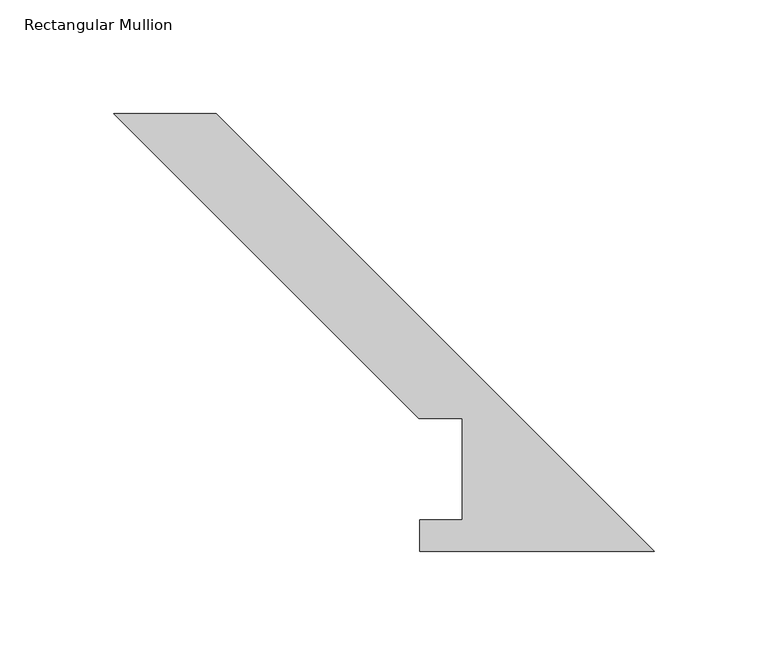
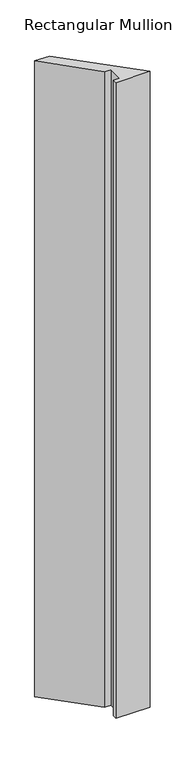
"""IFC4 building model written with IfcOpenShell, lengths in millimetres: member geometry, Rectangular Mullion."""

from ifc_helpers import new_model, si_unit, frame, origin, place, context, project, spatial, polyline, outline, extrude, source, transform, mapped, element, save


def rectangular_mullion_eb257d0a(model_context):
    return source(origin(), model_context, "Body", "SweptSolid", [
        extrude(outline(polyline([(-236.9958475, 192.0807432), (-192.0945669, 192.0807432), (0.0, -0.0138237), (-102.8720048, -0.0138237), (-102.8720048, 13.890625), (-84.2057293, 13.890625), (-84.2057293, 58.340625), (-103.2557293, 58.340625), (-236.9958475, 192.0807432)])), frame((0.0, 0.0, -2025.65), z_axis=(0.0, 0.0, 1.0), x_axis=(1.0, 0.0, 0.0)), (0.0, 0.0, 1.0), 2025.65),
    ])


if __name__ == "__main__":
    model = new_model("IFC4")
    model_context = context("Model", 3, world=origin())
    ifc_project = project(units=[si_unit("LENGTHUNIT", "METRE", prefix="MILLI")], contexts=[model_context])
    site = spatial("IfcSite", under=ifc_project)
    building = spatial("IfcBuilding", under=site)
    placement = place(None, origin())
    rectangular_mullion_shape = rectangular_mullion_eb257d0a(model_context)
    element("IfcMember", 1, ObjectType="Rectangular Mullion", at=placement, inside=building, context=model_context, shape_type="MappedRepresentation", body=[
        mapped(rectangular_mullion_shape, transform((0.0, 0.0, 0.0), x_axis=(1.0, 0.0, 0.0), y_axis=(0.0, 1.0, 0.0), z_axis=(0.0, 0.0, 1.0))),
    ])
    save(model, "model.ifc")
